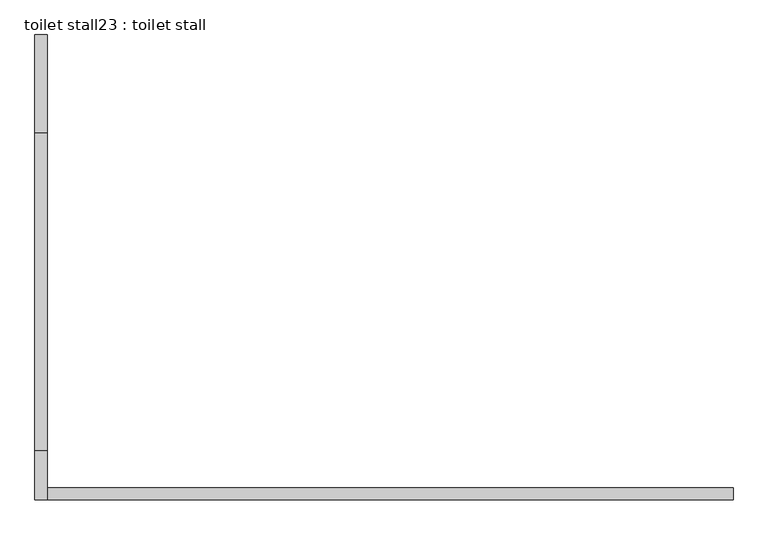
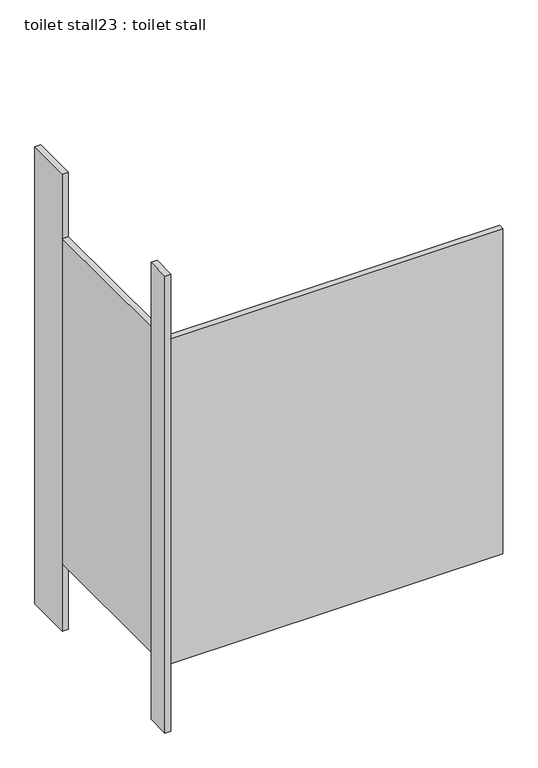
"""IFC4 building model written with IfcOpenShell, lengths in millimetres: proxy geometry, toilet stall23 : toilet stall."""

from ifc_helpers import new_model, si_unit, frame, origin, origin_with_axes, place, context, project, spatial, polyline, outline, extrude, source, transform, mapped, element, save


def toilet_stall23_toilet_stall_a8c77d6d(model_context):
    return source(origin(), model_context, "Body", "SweptSolid", [
        extrude(outline(polyline([(454658.2004676, -345699.5705223), (454632.8004676, -345699.5705223), (454632.8004676, -345496.3705223), (454658.2004676, -345496.3705223), (454658.2004676, -345699.5705223)])), origin_with_axes(), (0.0, 0.0, 1.0), 2070.1),
        extrude(outline(polyline([(454658.2004676, -346461.5705223), (454632.8004676, -346461.5705223), (454632.8004676, -346359.9705223), (454658.2004676, -346359.9705223), (454658.2004676, -346461.5705223)])), origin_with_axes(), (0.0, 0.0, 1.0), 2070.1),
        extrude(outline(polyline([(454658.2004676, -346461.5705223), (454658.2004676, -346436.1705223), (456080.6004676, -346436.1705223), (456080.6004676, -346461.5705223), (454658.2004676, -346461.5705223)])), frame((0.0, 0.0, 304.8), z_axis=(0.0, 0.0, 1.0), x_axis=(1.0, 0.0, 0.0)), (0.0, 0.0, 1.0), 1473.2),
        extrude(outline(polyline([(454658.2004676, -346359.9705223), (454632.8004676, -346359.9705223), (454632.8004676, -345699.5705223), (454658.2004676, -345699.5705223), (454658.2004676, -346359.9705223)])), frame((0.0, 0.0, 304.8), z_axis=(0.0, 0.0, 1.0), x_axis=(1.0, 0.0, 0.0)), (0.0, 0.0, 1.0), 1473.2),
    ])


if __name__ == "__main__":
    model = new_model("IFC4")
    model_context = context("Model", 3, world=origin())
    ifc_project = project(units=[si_unit("LENGTHUNIT", "METRE", prefix="MILLI")], contexts=[model_context])
    site = spatial("IfcSite", under=ifc_project)
    building = spatial("IfcBuilding", under=site)
    placement = place(None, origin())
    toilet_stall23_toilet_stall_shape = toilet_stall23_toilet_stall_a8c77d6d(model_context)
    element("IfcBuildingElementProxy", 1, Name="toilet stall23 : toilet stall", ObjectType="toilet stall23 : toilet stall", at=placement, inside=building, context=model_context, shape_type="MappedRepresentation", body=[
        mapped(toilet_stall23_toilet_stall_shape, transform((0.0, 0.0, 0.0), x_axis=(1.0, 0.0, 0.0), y_axis=(0.0, 1.0, 0.0), z_axis=(0.0, 0.0, 1.0))),
    ])
    save(model, "model.ifc")
